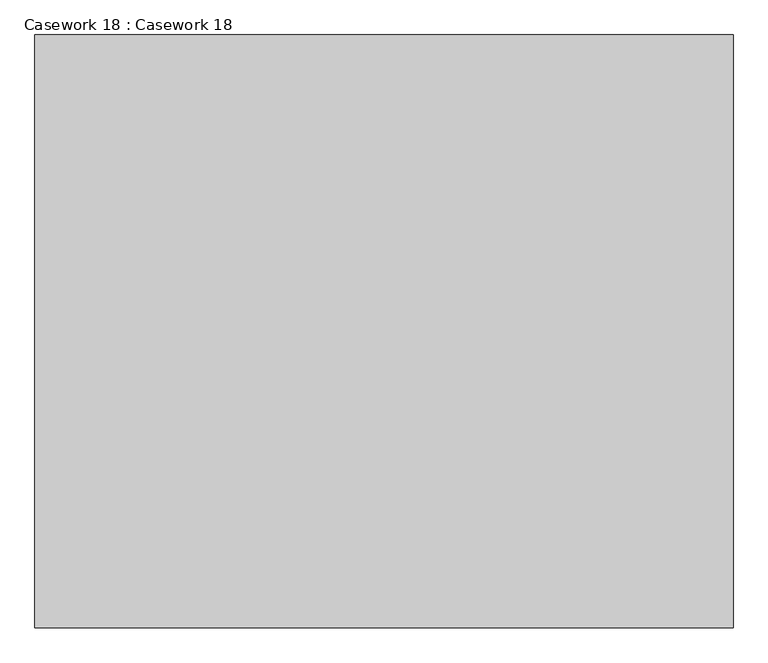
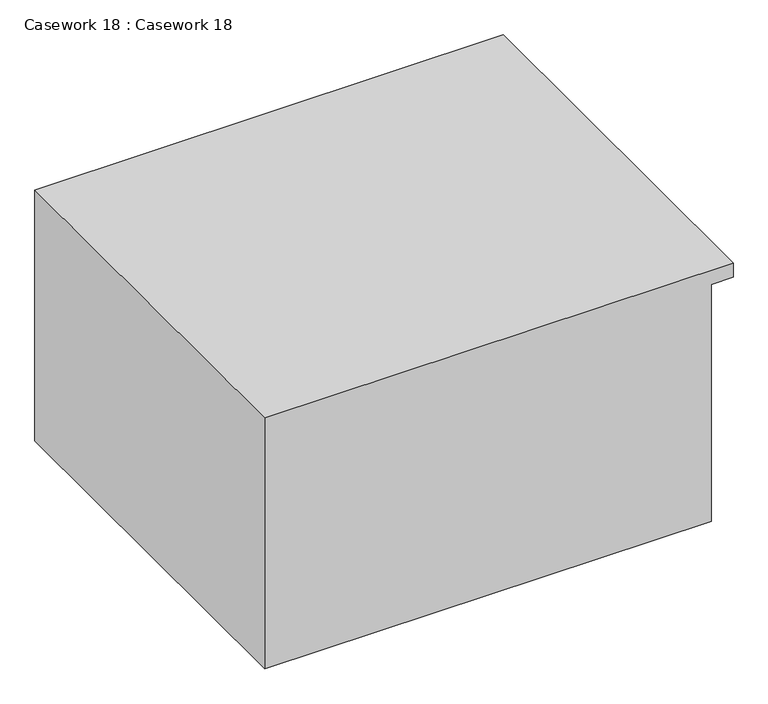
"""IFC4 building model written with IfcOpenShell, lengths in millimetres: furniture geometry, Casework 18 : Casework 18."""

from ifc_helpers import new_model, si_unit, frame, origin, place, context, project, spatial, polyline, outline, extrude, source, transform, mapped, element, save


def casework_18_casework_18_de7f6434(model_context):
    return source(origin(), model_context, "Body", "SweptSolid", [
        extrude(outline(polyline([(-6054.77237, -23223.2375594), (-6054.77237, -24315.4375594), (-6673.89737, -24315.4375594), (-6673.89737, -23274.0375594), (-6089.69737, -23274.0375594), (-6089.69737, -23223.2375594), (-6054.77237, -23223.2375594)])), frame((0.0, 4091.4949555, 0.0), z_axis=(0.0, 1.0, 0.0), x_axis=(0.0, 0.0, 1.0)), (0.0, 0.0, 1.0), 927.7033294),
    ])


if __name__ == "__main__":
    model = new_model("IFC4")
    model_context = context("Model", 3, world=origin())
    ifc_project = project(units=[si_unit("LENGTHUNIT", "METRE", prefix="MILLI")], contexts=[model_context])
    site = spatial("IfcSite", under=ifc_project)
    building = spatial("IfcBuilding", under=site)
    placement = place(None, origin())
    casework_18_casework_18_shape = casework_18_casework_18_de7f6434(model_context)
    element("IfcFurniture", 1, ObjectType="Casework 18 : Casework 18", at=placement, inside=building, context=model_context, shape_type="MappedRepresentation", body=[
        mapped(casework_18_casework_18_shape, transform((0.0, 0.0, 0.0), x_axis=(1.0, 0.0, 0.0), y_axis=(0.0, 1.0, 0.0), z_axis=(0.0, 0.0, 1.0))),
    ])
    save(model, "model.ifc")
